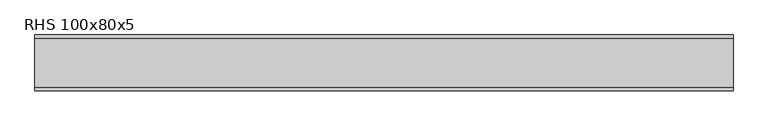
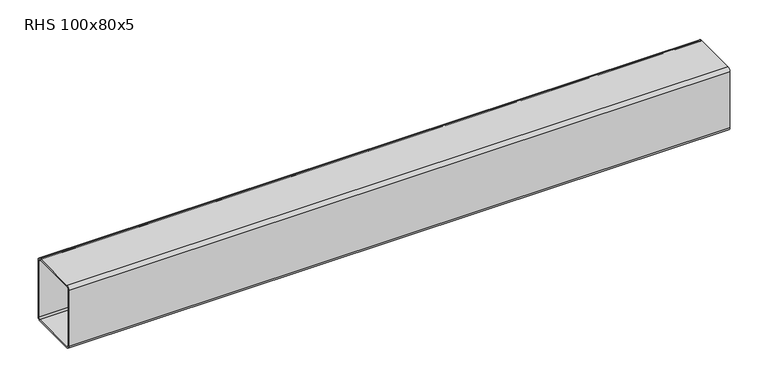
"""IFC4 building model written with IfcOpenShell, lengths in millimetres: beam geometry, RHS 100x80x5."""

from ifc_helpers import new_model, si_unit, point, frame, frame_2d, origin, place, context, project, spatial, polyline, circle_curve, trimmed, segment, composite_curve, outline, extrude, source, transform, mapped, element, save


def rhs_100x80x5_801feaf6(model_context):
    return source(origin(), model_context, "Body", "SweptSolid", [
        extrude(outline(composite_curve([segment(polyline([(40.0, 45.0), (40.0, -45.0)]), True, "CONTINUOUS"), segment(trimmed(circle_curve(frame_2d((35.0, -45.0)), 5.0), [point((40.0, -45.0))], [point((35.0, -50.0))], False, "CARTESIAN"), True, "CONTINUOUS"), segment(polyline([(35.0, -50.0), (-35.0, -50.0)]), True, "CONTINUOUS"), segment(trimmed(circle_curve(frame_2d((-35.0, -45.0)), 5.0), [point((-35.0, -50.0))], [point((-40.0, -45.0))], False, "CARTESIAN"), True, "CONTINUOUS"), segment(polyline([(-40.0, -45.0), (-40.0, 45.0)]), True, "CONTINUOUS"), segment(trimmed(circle_curve(frame_2d((-35.0, 45.0)), 5.0), [point((-40.0, 45.0))], [point((-35.0, 50.0))], False, "CARTESIAN"), True, "CONTINUOUS"), segment(polyline([(-35.0, 50.0), (35.0, 50.0)]), True, "CONTINUOUS"), segment(trimmed(circle_curve(frame_2d((35.0, 45.0)), 5.0), [point((35.0, 50.0))], [point((40.0, 45.0))], False, "CARTESIAN"), True, "CONTINUOUS")], self_intersect=False), holes=[composite_curve([segment(trimmed(circle_curve(frame_2d((-35.0, 45.0)), 2.5), [point((-35.0, 47.5))], [point((-37.5, 45.0))], True, "CARTESIAN"), True, "CONTINUOUS"), segment(polyline([(-37.5, 45.0), (-37.5, -45.0)]), True, "CONTINUOUS"), segment(trimmed(circle_curve(frame_2d((-35.0, -45.0)), 2.5), [point((-37.5, -45.0))], [point((-35.0, -47.5))], True, "CARTESIAN"), True, "CONTINUOUS"), segment(polyline([(-35.0, -47.5), (35.0, -47.5)]), True, "CONTINUOUS"), segment(trimmed(circle_curve(frame_2d((35.0, -45.0)), 2.5), [point((35.0, -47.5))], [point((37.5, -45.0))], True, "CARTESIAN"), True, "CONTINUOUS"), segment(polyline([(37.5, -45.0), (37.5, 45.0)]), True, "CONTINUOUS"), segment(trimmed(circle_curve(frame_2d((35.0, 45.0)), 2.5), [point((37.5, 45.0))], [point((35.0, 47.5))], True, "CARTESIAN"), True, "CONTINUOUS"), segment(polyline([(35.0, 47.5), (-35.0, 47.5)]), True, "CONTINUOUS")], self_intersect=False)]), frame((-500.0630873, 0.0, 0.0), z_axis=(1.0, 0.0, 0.0), x_axis=(0.0, 1.0, 0.0)), (0.0, 0.0, 1.0), 1000.1261746),
    ])


if __name__ == "__main__":
    model = new_model("IFC4")
    model_context = context("Model", 3, world=origin())
    ifc_project = project(units=[si_unit("LENGTHUNIT", "METRE", prefix="MILLI")], contexts=[model_context])
    site = spatial("IfcSite", under=ifc_project)
    building = spatial("IfcBuilding", under=site)
    placement = place(None, origin())
    rhs_100x80x5_shape = rhs_100x80x5_801feaf6(model_context)
    element("IfcBeam", 1, ObjectType="RHS 100x80x5", at=placement, inside=building, context=model_context, shape_type="MappedRepresentation", body=[
        mapped(rhs_100x80x5_shape, transform((0.0, 0.0, 0.0), x_axis=(1.0, 0.0, 0.0), y_axis=(0.0, 1.0, 0.0), z_axis=(0.0, 0.0, 1.0))),
    ])
    save(model, "model.ifc")
